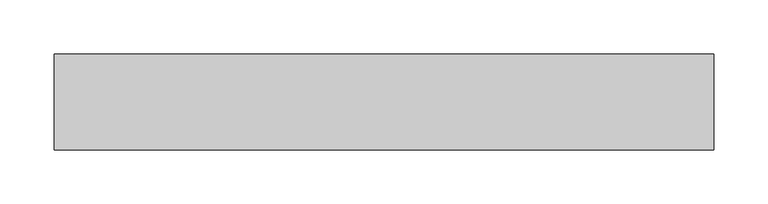
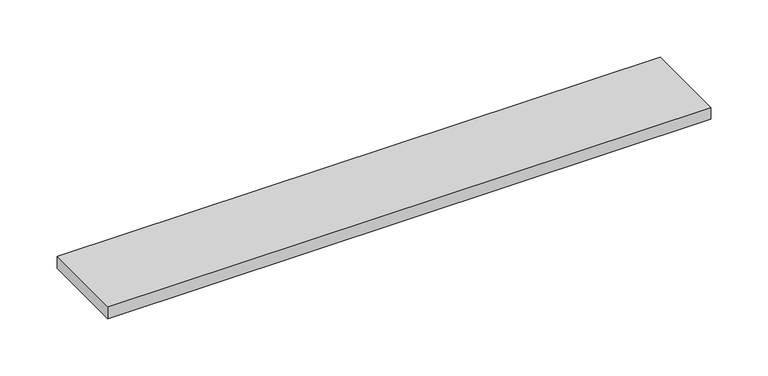
"""IFC4 building model written with IfcOpenShell, lengths in millimetres: furniture geometry."""

from ifc_helpers import new_model, si_unit, frame, origin, place, context, project, spatial, polyline, outline, extrude, source, transform, mapped, element, save


def furniture_0517c8e5(model_context):
    return source(origin(), model_context, "Body", "SweptSolid", [
        extrude(outline(polyline([(248.81205, 38.735), (248.81205, -50.165), (-360.78795, -50.165), (-360.78795, 38.735), (248.81205, 38.735)])), frame((0.0, 0.0, 965.2), z_axis=(0.0, 0.0, 1.0), x_axis=(1.0, 0.0, 0.0)), (0.0, 0.0, 1.0), 12.7),
    ])


if __name__ == "__main__":
    model = new_model("IFC4")
    model_context = context("Model", 3, world=origin())
    ifc_project = project(units=[si_unit("LENGTHUNIT", "METRE", prefix="MILLI")], contexts=[model_context])
    site = spatial("IfcSite", under=ifc_project)
    building = spatial("IfcBuilding", under=site)
    placement = place(None, origin())
    furniture_shape = furniture_0517c8e5(model_context)
    element("IfcFurniture", 1, at=placement, inside=building, context=model_context, shape_type="MappedRepresentation", body=[
        mapped(furniture_shape, transform((0.0, 0.0, 0.0), x_axis=(1.0, 0.0, 0.0), y_axis=(0.0, 1.0, 0.0), z_axis=(0.0, 0.0, 1.0))),
    ])
    save(model, "model.ifc")
